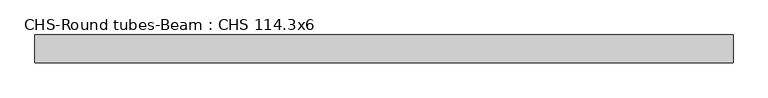
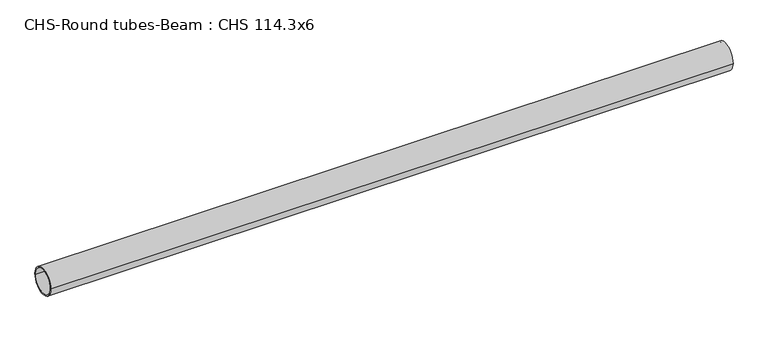
"""IFC4 building model written with IfcOpenShell, lengths in millimetres: beam geometry, CHS-Round tubes-Beam : CHS 114.3x6."""

from ifc_helpers import new_model, si_unit, point, frame, origin, origin_2d, place, context, project, spatial, circle_curve, trimmed, segment, composite_curve, outline, extrude, source, transform, mapped, element, save


def chs_round_tubes_beam_chs_114_3x6_04c6ec02(model_context):
    return source(origin(), model_context, "Body", "SweptSolid", [
        extrude(outline(composite_curve([segment(trimmed(circle_curve(origin_2d(), 57.15), [point((57.15, 0.0))], [point((-57.15, 0.0))], False, "CARTESIAN"), True, "CONTINUOUS"), segment(trimmed(circle_curve(origin_2d(), 57.15), [point((-57.15, 0.0))], [point((57.15, 0.0))], False, "CARTESIAN"), True, "CONTINUOUS")], self_intersect=False), holes=[composite_curve([segment(trimmed(circle_curve(origin_2d(), 51.15), [point((51.15, 0.0))], [point((-51.15, 0.0))], True, "CARTESIAN"), True, "CONTINUOUS"), segment(trimmed(circle_curve(origin_2d(), 51.15), [point((-51.15, 0.0))], [point((51.15, 0.0))], True, "CARTESIAN"), True, "CONTINUOUS")], self_intersect=False)]), frame((-1434.1993838, 0.0, 0.0), z_axis=(1.0, 0.0, 0.0), x_axis=(0.0, 1.0, 0.0)), (0.0, 0.0, 1.0), 2853.1570292),
    ])


if __name__ == "__main__":
    model = new_model("IFC4")
    model_context = context("Model", 3, world=origin())
    ifc_project = project(units=[si_unit("LENGTHUNIT", "METRE", prefix="MILLI")], contexts=[model_context])
    site = spatial("IfcSite", under=ifc_project)
    building = spatial("IfcBuilding", under=site)
    placement = place(None, origin())
    chs_round_tubes_beam_chs_114_3x6_shape = chs_round_tubes_beam_chs_114_3x6_04c6ec02(model_context)
    element("IfcBeam", 1, ObjectType="CHS-Round tubes-Beam : CHS 114.3x6", at=placement, inside=building, context=model_context, shape_type="MappedRepresentation", body=[
        mapped(chs_round_tubes_beam_chs_114_3x6_shape, transform((0.0, 0.0, 0.0), x_axis=(1.0, 0.0, 0.0), y_axis=(0.0, 1.0, 0.0), z_axis=(0.0, 0.0, 1.0))),
    ])
    save(model, "model.ifc")
